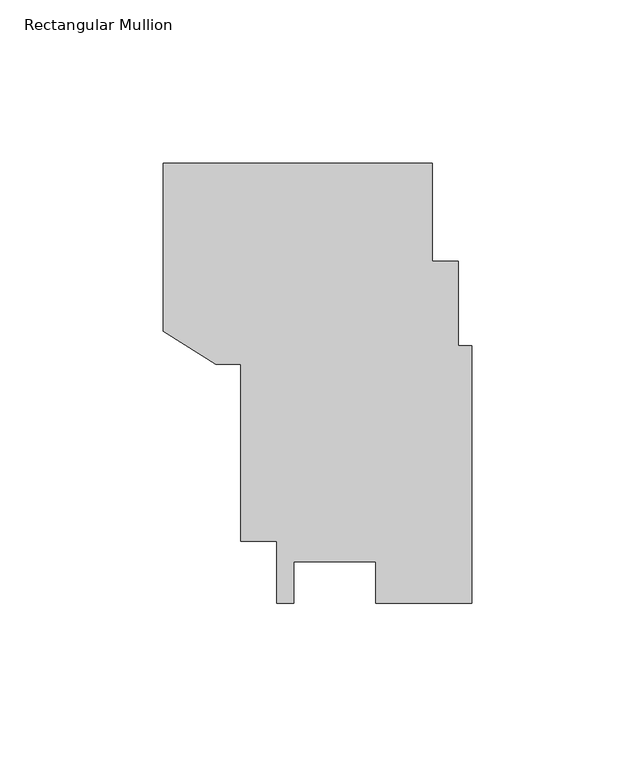
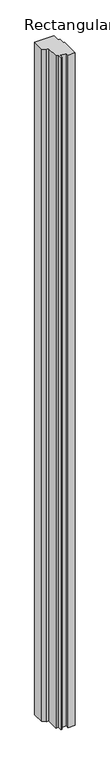
"""IFC4 building model written with IfcOpenShell, lengths in millimetres: member geometry, Rectangular Mullion."""

from ifc_helpers import new_model, si_unit, frame, origin, place, context, project, spatial, polyline, outline, extrude, source, transform, mapped, element, save


def rectangular_mullion_c1a23e3f(model_context):
    return source(origin(), model_context, "Body", "SweptSolid", [
        extrude(outline(polyline([(-29.3121982, -47.3231671), (-54.465596, -47.3870932), (-54.465596, -60.0222602), (-59.6728074, -60.0222602), (-59.6728074, -40.9714868), (-70.6968549, -40.9714868), (-70.6968549, 13.2397679), (-78.3994774, 13.2397679), (-94.568324, 23.417128), (-94.568324, 74.9013034), (-12.0223304, 74.9013034), (-12.0223304, 44.7539098), (-4.0190909, 44.7539098), (-4.0190909, 18.8829646), (0.0, 18.8829646), (0.0, -60.0033074), (-29.3121982, -60.0033074), (-29.3121982, -47.3231671)])), frame((0.0, 0.0, -3048.0), z_axis=(0.0, 0.0, 1.0), x_axis=(1.0, 0.0, 0.0)), (0.0, 0.0, 1.0), 3048.0),
    ])


if __name__ == "__main__":
    model = new_model("IFC4")
    model_context = context("Model", 3, world=origin())
    ifc_project = project(units=[si_unit("LENGTHUNIT", "METRE", prefix="MILLI")], contexts=[model_context])
    site = spatial("IfcSite", under=ifc_project)
    building = spatial("IfcBuilding", under=site)
    placement = place(None, origin())
    rectangular_mullion_shape = rectangular_mullion_c1a23e3f(model_context)
    element("IfcMember", 1, ObjectType="Rectangular Mullion", at=placement, inside=building, context=model_context, shape_type="MappedRepresentation", body=[
        mapped(rectangular_mullion_shape, transform((0.0, 0.0, 0.0), x_axis=(1.0, 0.0, 0.0), y_axis=(0.0, 1.0, 0.0), z_axis=(0.0, 0.0, 1.0))),
    ])
    save(model, "model.ifc")
